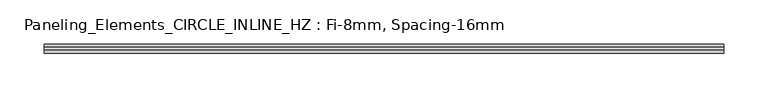
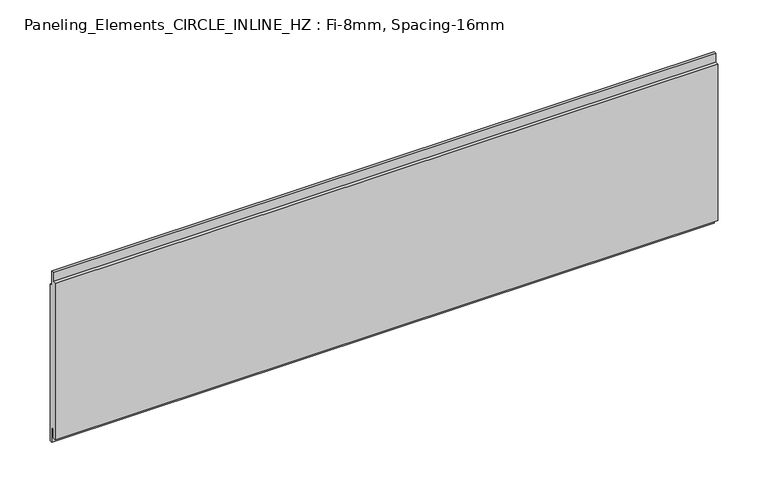
"""IFC4 building model written with IfcOpenShell, lengths in millimetres: plate geometry, Paneling_Elements_CIRCLE_INLINE_HZ : Fi-8mm, Spacing-16mm."""

from ifc_helpers import new_model, si_unit, frame, origin, place, context, project, spatial, polyline, outline, extrude, source, transform, mapped, element, save


def paneling_elements_circle_inline_hz_fi_8mm_spacing_16mm_3eb15d17(model_context):
    return source(origin(), model_context, "Body", "SweptSolid", [
        extrude(outline(polyline([(-1.0, 202.3), (2.0, 202.3), (2.0, 184.3), (5.0, 184.3), (5.0, -7.0), (2.0, -7.0), (2.0, 11.0), (-1.0, 11.0), (-1.0, 0.0), (-5.0, 0.0), (-5.0, 191.3), (-1.0, 191.3), (-1.0, 202.3)])), frame((-382.25, 0.0, 0.0), z_axis=(1.0, 0.0, 0.0), x_axis=(0.0, 1.0, 0.0)), (0.0, 0.0, 1.0), 764.5),
    ])


if __name__ == "__main__":
    model = new_model("IFC4")
    model_context = context("Model", 3, world=origin())
    ifc_project = project(units=[si_unit("LENGTHUNIT", "METRE", prefix="MILLI")], contexts=[model_context])
    site = spatial("IfcSite", under=ifc_project)
    building = spatial("IfcBuilding", under=site)
    placement = place(None, origin())
    paneling_elements_circle_inline_hz_fi_8mm_spacing_16mm_shape = paneling_elements_circle_inline_hz_fi_8mm_spacing_16mm_3eb15d17(model_context)
    element("IfcPlate", 1, ObjectType="Paneling_Elements_CIRCLE_INLINE_HZ : Fi-8mm, Spacing-16mm", at=placement, inside=building, context=model_context, shape_type="MappedRepresentation", body=[
        mapped(paneling_elements_circle_inline_hz_fi_8mm_spacing_16mm_shape, transform((0.0, 0.0, 0.0), x_axis=(1.0, 0.0, 0.0), y_axis=(0.0, 1.0, 0.0), z_axis=(0.0, 0.0, 1.0))),
    ])
    save(model, "model.ifc")
